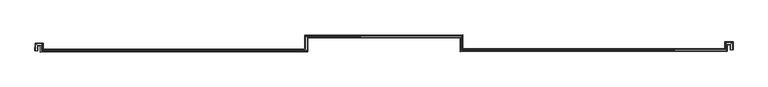
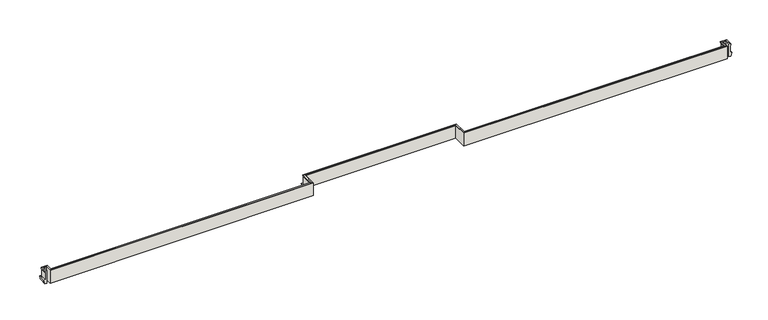
"""IFC4 building model written with IfcOpenShell, lengths in millimetres: wall geometry."""

from ifc_helpers import new_model, si_unit, origin, place, context, project, spatial, faceted_brep, source, transform, mapped, element, save


def wall_68da1dfd(model_context):
    return source(origin(), model_context, "Body", "Brep", [
        faceted_brep([(55255.4361704, 123327.6625884, 10487.5781825), (55255.4361704, 123327.6625884, 10647.3469925), (55283.8873392, 123327.6625884, 10647.3469925), (55283.8873392, 123327.6625884, 10632.8471047), (55328.9884774, 123327.6625884, 10632.8471047), (55414.664449, 123327.6625884, 11150.1666483), (55199.0537898, 123327.6625884, 11172.8282418), (55199.0537898, 123327.6625884, 12399.1383896), (55226.568465, 123327.6625884, 12399.1383896), (55269.361358, 123327.6625884, 12641.8289452), (55075.3849737, 123327.6625884, 12658.7996798), (54973.9960427, 123327.6625884, 12658.7996798), (54973.9960427, 123327.6625884, 10487.5781825), (55255.4361704, 124368.9953819, 10487.5781825), (55255.4361704, 124368.9953819, 10647.3469925), (54234.726341, 124368.9953819, 10647.3469925), (54234.726341, 123326.932077, 10647.3469925), (12281.0511538, 123296.906268, 10647.3469925), (12281.0511538, 125494.3072227, 10647.3469925), (-12502.8489131, 125452.7033074, 10647.3469925), (-12502.8489131, 123288.2099711, 10647.3469925), (-54429.7737698, 123214.6185427, 10647.3469925), (-54429.7737698, 124200.2273183, 10647.3469925), (-55408.8118202, 124200.2273183, 10647.3469925), (-55424.1435122, 123173.00395, 10647.3469925), (-55452.5915126, 123173.428547, 10647.3469925), (-55436.8415135, 124228.6784871, 10647.3469925), (-54401.322601, 124228.6784871, 10647.3469925), (-54401.322601, 123243.1196938, 10647.3469925), (-12531.3000819, 123316.6112454, 10647.3469925), (-12531.3000819, 125481.1067563, 10647.3469925), (12309.5023227, 125522.8061917, 10647.3469925), (12309.5023227, 123325.3778063, 10647.3469925), (54206.2751721, 123355.3628909, 10647.3469925), (54206.2751721, 124397.4465507, 10647.3469925), (55283.8873392, 124397.4465507, 10647.3469925), (55283.8873392, 124397.4465507, 10632.8471047), (54206.2751721, 124397.4465507, 10632.8471047), (54206.2751721, 123355.3628909, 10632.8471047), (12309.5023227, 123325.3778063, 10632.8471047), (12309.5023227, 125522.8061917, 10632.8471047), (-12531.3000819, 125481.1067563, 10632.8471047), (-12531.3000819, 123316.6112454, 10632.8471047), (-54401.322601, 123243.1196938, 10632.8471047), (-54401.322601, 124228.6784871, 10632.8471047), (-55436.8415135, 124228.6784871, 10632.8471047), (-55452.5915126, 123173.428547, 10632.8471047), (-55497.6876281, 123174.1016234, 10632.8471047), (-55481.2745236, 124273.7796253, 10632.8471047), (-54356.2214628, 124273.7796253, 10632.8471047), (-54356.2214628, 123288.3000643, 10632.8471047), (-12576.4012201, 123361.6332901, 10632.8471047), (-12576.4012201, 125526.1322482, 10632.8471047), (12354.6034608, 125567.9831032, 10632.8471047), (12354.6034608, 123370.5112344, 10632.8471047), (54161.174034, 123400.4317622, 10632.8471047), (54161.174034, 124442.5476889, 10632.8471047), (55328.9884774, 124442.5476889, 10632.8471047), (55414.664449, 124528.2236605, 11150.1666483), (55199.0537898, 124312.6130013, 11172.8282418), (55199.0537898, 124312.6130013, 12399.1383896), (54291.1087215, 124312.6130013, 12399.1383896), (54291.1087215, 123270.5900343, 12399.1383896), (12224.6687733, 123240.4835207, 12399.1383896), (12224.6687733, 125437.8301155, 12399.1383896), (-12446.4665325, 125396.4154947, 12399.1383896), (-12446.4665325, 123231.9264678, 12399.1383896), (-54486.1561504, 123158.1371112, 12399.1383896), (-54486.1561504, 124143.8449377, 12399.1383896), (-55353.264688, 124143.8449377, 12399.1383896), (-55367.7674107, 123172.1625156, 12399.1383896), (-55395.2790217, 123172.5731367, 12399.1383896), (-55380.3717609, 124171.3596129, 12399.1383896), (-54458.6414752, 124171.3596129, 12399.1383896), (-54458.6414752, 123185.7001234, 12399.1383896), (-12473.9812077, 123259.3928908, 12399.1383896), (-12473.9812077, 125423.8840207, 12399.1383896), (12252.1834485, 125465.3910174, 12399.1383896), (12252.1834485, 123268.0178949, 12399.1383896), (54263.5940463, 123298.0850246, 12399.1383896), (54263.5940463, 124340.1276765, 12399.1383896), (55226.568465, 124340.1276765, 12399.1383896), (55269.361358, 124382.9205695, 12641.8289452), (55075.3849737, 124188.9441852, 12658.7996798), (54414.7775376, 124188.9441852, 12658.7996798), (54414.7775376, 123147.009695, 12658.7996798), (12100.9999572, 123116.7261644, 12658.7996798), (12100.9999572, 125313.9535264, 12658.7996798), (-12322.7977164, 125272.9541031, 12658.7996798), (-12322.7977164, 123108.4745285, 12658.7996798), (-54609.8249665, 123034.2510373, 12658.7996798), (-54609.8249665, 124020.1761216, 12658.7996798), (-55231.4279012, 124020.1761216, 12658.7996798), (-55244.1123669, 123170.316918, 12658.7996798), (-55142.7347271, 123168.8038189, 12658.7996798), (-55131.5409454, 123918.7871906, 12658.7996798), (-54711.2138975, 123918.7871906, 12658.7996798), (-54711.2138975, 122932.6839892, 12658.7996798), (-12221.4087854, 123007.2634023, 12658.7996798), (-12221.4087854, 125171.7352275, 12658.7996798), (11999.6110262, 125212.3942543, 12658.7996798), (11999.6110262, 123015.2646444, 12658.7996798), (54516.1664686, 123045.6933011, 12658.7996798), (54516.1664686, 124087.5552542, 12658.7996798), (54973.9960427, 124087.5552542, 12658.7996798), (54973.9960427, 124087.5552542, 10487.5781825), (54516.1664686, 124087.5552542, 10487.5781825), (54516.1664686, 123045.6933011, 10487.5781825), (11999.6110262, 123015.2646444, 10487.5781825), (11999.6110262, 125212.3942543, 10487.5781825), (-12221.4087854, 125171.7352275, 10487.5781825), (-12221.4087854, 123007.2634023, 10487.5781825), (-54711.2138975, 122932.6839892, 10487.5781825), (-54711.2138975, 123918.7871906, 10487.5781825), (-55131.5409454, 123918.7871906, 10487.5781825), (-55142.7347271, 123168.8038189, 10487.5781825), (-55424.1435122, 123173.00395, 10487.5781825), (-55408.8118202, 124200.2273183, 10487.5781825), (-54429.7737698, 124200.2273183, 10487.5781825), (-54429.7737698, 123214.6185427, 10487.5781825), (-12502.8489131, 123288.2099711, 10487.5781825), (-12502.8489131, 125452.7033074, 10487.5781825), (12281.0511538, 125494.3072227, 10487.5781825), (12281.0511538, 123296.906268, 10487.5781825), (54234.726341, 123326.932077, 10487.5781825), (54234.726341, 124368.9953819, 10487.5781825), (54075.4980624, 124528.2236605, 11150.1666483), (54291.1087215, 124312.6130013, 11172.8282418), (54220.8011534, 124382.9205695, 12641.8289452), (54075.4980624, 123486.0464384, 11150.1666483), (54291.1087215, 123270.5900343, 11172.8282418), (54220.8011534, 123340.847302, 12641.8289452), (12440.2794324, 123456.2485454, 11150.1666483), (12224.6687733, 123240.4835207, 11172.8282418), (12294.9763414, 123310.8414252, 12641.8289452), (12440.2794324, 125653.8030169, 11150.1666483), (12224.6687733, 125437.8301155, 11172.8282418), (12294.9763414, 125508.2558057, 12641.8289452), (-12662.0771917, 125611.6645191, 11150.1666483), (-12446.4665325, 125396.4154947, 11172.8282418), (-12516.7741006, 125466.6051389, 12641.8289452), (-12662.0771917, 123447.1590126, 11150.1666483), (-12446.4665325, 123231.9264678, 11172.8282418), (-12516.7741006, 123302.1107382, 12641.8289452), (-54270.5454912, 123374.126549, 11150.1666483), (-54486.1561504, 123158.1371112, 11172.8282418), (-54415.8485822, 123228.5681937, 12641.8289452), (-54270.5454912, 124359.4555969, 11150.1666483), (-54486.1561504, 124143.8449377, 11172.8282418), (-54415.8485822, 124214.1525058, 12641.8289452), (-55565.6812917, 124359.4555969, 11150.1666483), (-55353.264688, 124143.8449377, 11172.8282418), (-55422.5307201, 124214.1525058, 12641.8289452), (-55438.067149, 123173.2117655, 12641.8289452), (-55367.7674107, 123172.1625156, 11172.8282418), (-55583.3540584, 123175.3802268, 11150.1666483)], [[[0, 1, 2, 3, 4, 5, 6, 7, 8, 9, 10, 11, 12]], [[1, 0, 13, 14]], [[2, 1, 14, 15, 16, 17, 18, 19, 20, 21, 22, 23, 24, 25, 26, 27, 28, 29, 30, 31, 32, 33, 34, 35]], [[3, 2, 35, 36]], [[4, 3, 36, 37, 38, 39, 40, 41, 42, 43, 44, 45, 46, 47, 48, 49, 50, 51, 52, 53, 54, 55, 56, 57]], [[5, 4, 57, 58]], [[6, 5, 58, 59]], [[7, 6, 59, 60]], [[8, 7, 60, 61, 62, 63, 64, 65, 66, 67, 68, 69, 70, 71, 72, 73, 74, 75, 76, 77, 78, 79, 80, 81]], [[9, 8, 81, 82]], [[10, 9, 82, 83]], [[11, 10, 83, 84, 85, 86, 87, 88, 89, 90, 91, 92, 93, 94, 95, 96, 97, 98, 99, 100, 101, 102, 103, 104]], [[12, 11, 104, 105]], [[0, 12, 105, 106, 107, 108, 109, 110, 111, 112, 113, 114, 115, 116, 117, 118, 119, 120, 121, 122, 123, 124, 125, 13]], [[14, 13, 125, 15]], [[36, 35, 34, 37]], [[58, 57, 56, 126]], [[59, 58, 126, 127]], [[60, 59, 127, 61]], [[82, 81, 80, 128]], [[83, 82, 128, 84]], [[105, 104, 103, 106]], [[15, 125, 124, 16]], [[37, 34, 33, 38]], [[126, 56, 55, 129]], [[127, 126, 129, 130]], [[61, 127, 130, 62]], [[128, 80, 79, 131]], [[84, 128, 131, 85]], [[106, 103, 102, 107]], [[16, 124, 123, 17]], [[38, 33, 32, 39]], [[129, 55, 54, 132]], [[130, 129, 132, 133]], [[62, 130, 133, 63]], [[131, 79, 78, 134]], [[85, 131, 134, 86]], [[107, 102, 101, 108]], [[17, 123, 122, 18]], [[39, 32, 31, 40]], [[132, 54, 53, 135]], [[133, 132, 135, 136]], [[63, 133, 136, 64]], [[134, 78, 77, 137]], [[86, 134, 137, 87]], [[108, 101, 100, 109]], [[18, 122, 121, 19]], [[40, 31, 30, 41]], [[135, 53, 52, 138]], [[136, 135, 138, 139]], [[64, 136, 139, 65]], [[137, 77, 76, 140]], [[87, 137, 140, 88]], [[109, 100, 99, 110]], [[19, 121, 120, 20]], [[41, 30, 29, 42]], [[138, 52, 51, 141]], [[139, 138, 141, 142]], [[65, 139, 142, 66]], [[140, 76, 75, 143]], [[88, 140, 143, 89]], [[110, 99, 98, 111]], [[20, 120, 119, 21]], [[42, 29, 28, 43]], [[141, 51, 50, 144]], [[142, 141, 144, 145]], [[66, 142, 145, 67]], [[143, 75, 74, 146]], [[89, 143, 146, 90]], [[111, 98, 97, 112]], [[21, 119, 118, 22]], [[43, 28, 27, 44]], [[144, 50, 49, 147]], [[145, 144, 147, 148]], [[67, 145, 148, 68]], [[146, 74, 73, 149]], [[90, 146, 149, 91]], [[112, 97, 96, 113]], [[22, 118, 117, 23]], [[44, 27, 26, 45]], [[147, 49, 48, 150]], [[148, 147, 150, 151]], [[68, 148, 151, 69]], [[149, 73, 72, 152]], [[91, 149, 152, 92]], [[113, 96, 95, 114]], [[116, 115, 94, 93, 153, 71, 70, 154, 155, 47, 46, 25, 24]], [[23, 117, 116, 24]], [[45, 26, 25, 46]], [[150, 48, 47, 155]], [[151, 150, 155, 154]], [[69, 151, 154, 70]], [[152, 72, 71, 153]], [[92, 152, 153, 93]], [[114, 95, 94, 115]]]),
    ])


if __name__ == "__main__":
    model = new_model("IFC4")
    model_context = context("Model", 3, world=origin())
    ifc_project = project(units=[si_unit("LENGTHUNIT", "METRE", prefix="MILLI")], contexts=[model_context])
    site = spatial("IfcSite", under=ifc_project)
    building = spatial("IfcBuilding", under=site)
    placement = place(None, origin())
    wall_shape = wall_68da1dfd(model_context)
    element("IfcWall", 1, at=placement, inside=building, context=model_context, shape_type="MappedRepresentation", body=[
        mapped(wall_shape, transform((0.0, 0.0, 0.0), x_axis=(1.0, 0.0, 0.0), y_axis=(0.0, 1.0, 0.0), z_axis=(0.0, 0.0, 1.0))),
    ])
    save(model, "model.ifc")
